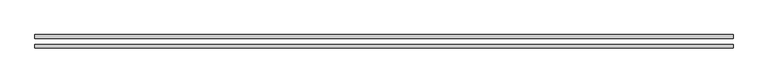
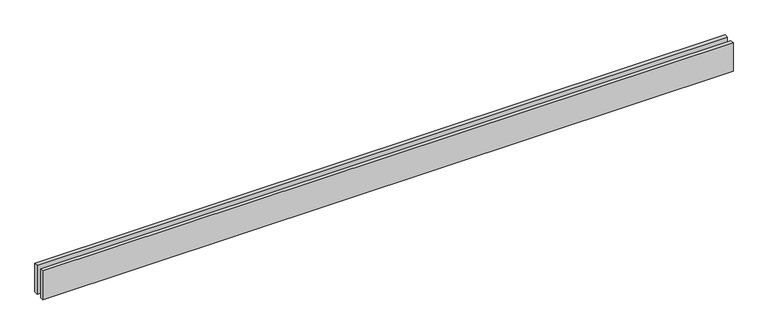
"""IFC4 building model written with IfcOpenShell, lengths in millimetres: proxy geometry."""

from ifc_helpers import new_model, si_unit, origin, origin_with_axes, place, context, project, spatial, polyline, outline, extrude, source, transform, mapped, element, save


def generic_models_cecd6442(model_context):
    return source(origin(), model_context, "Body", "SweptSolid", [
        extrude(outline(polyline([(5656.8542495, 25.0), (0.0, 25.0), (0.0, 55.0), (5656.8542495, 55.0), (5656.8542495, 25.0)])), origin_with_axes(), (0.0, 0.0, 1.0), 250.0),
        extrude(outline(polyline([(5656.8542495, -55.0), (0.0, -55.0), (0.0, -25.0), (5656.8542495, -25.0), (5656.8542495, -55.0)])), origin_with_axes(), (0.0, 0.0, 1.0), 250.0),
    ])


if __name__ == "__main__":
    model = new_model("IFC4")
    model_context = context("Model", 3, world=origin())
    ifc_project = project(units=[si_unit("LENGTHUNIT", "METRE", prefix="MILLI")], contexts=[model_context])
    site = spatial("IfcSite", under=ifc_project)
    building = spatial("IfcBuilding", under=site)
    placement = place(None, origin())
    generic_models_shape = generic_models_cecd6442(model_context)
    element("IfcBuildingElementProxy", 1, Name="Generic Models", at=placement, inside=building, context=model_context, shape_type="MappedRepresentation", body=[
        mapped(generic_models_shape, transform((0.0, 0.0, 0.0), x_axis=(1.0, 0.0, 0.0), y_axis=(0.0, 1.0, 0.0), z_axis=(0.0, 0.0, 1.0))),
    ])
    save(model, "model.ifc")
